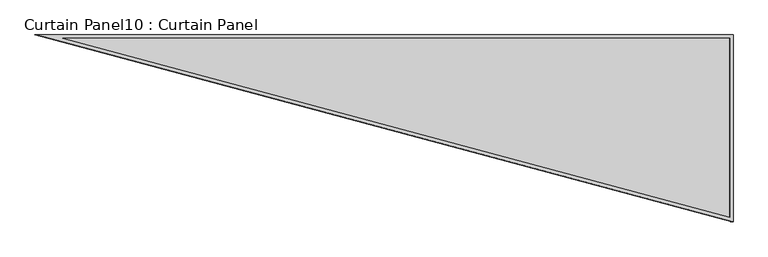
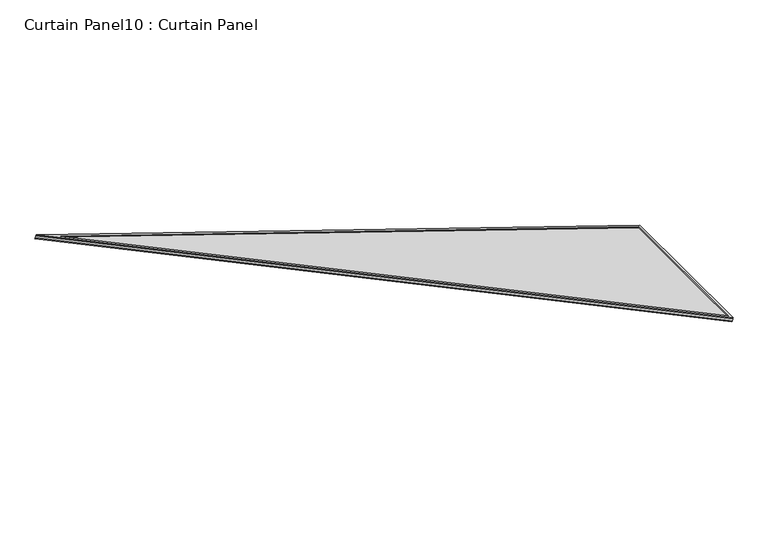
"""IFC4 building model written with IfcOpenShell, lengths in millimetres: plate geometry, Curtain Panel10 : Curtain Panel."""

from ifc_helpers import new_model, si_unit, frame, origin, place, context, project, spatial, polyline, outline, extrude, source, transform, mapped, element, save


def curtain_panel10_curtain_panel_2dfdf7e6(model_context):
    return source(origin(), model_context, "Body", "SweptSolid", [
        extrude(outline(polyline([(895.9373554, 0.0), (0.0, -3524.4506618), (0.0, 0.0), (895.9373554, 0.0)]), holes=[polyline([(874.508816, -16.662798), (16.6627979, -16.662798), (16.6627979, -3391.2692346), (874.508816, -16.662798)])]), frame((18941.8880507, 463.5644202, 898.7322455), z_axis=(0.3161458239738056, 0.0, 0.9487106081329141), x_axis=(0.0, -1.0, 0.0)), (0.0, 0.0, 1.0), 4.7979306),
        extrude(outline(polyline([(895.9373554, 0.0), (0.0, -3524.4506618), (0.0, 0.0), (895.9373554, 0.0)]), holes=[polyline([(882.6749851, -10.3127979), (10.3127979, -10.3127979), (10.3127979, -3442.0231397), (882.6749851, -10.3127979)])]), frame((18936.3046547, 463.5644202, 881.9772337), z_axis=(0.31614582397380575, 0.0, 0.948710608132914), x_axis=(0.0, -1.0, 0.0)), (0.0, 0.0, 1.0), 4.7703307),
        extrude(outline(polyline([(12.7, 0.0), (908.6373554, 0.0), (12.7, -3524.4506618), (12.7, 0.0)])), frame((18937.8127748, 476.2644202, 886.5028971), z_axis=(0.3161458239738058, 0.0, 0.948710608132914), x_axis=(0.0, -1.0, 0.0)), (0.0, 0.0, 1.0), 12.890494),
    ])


if __name__ == "__main__":
    model = new_model("IFC4")
    model_context = context("Model", 3, world=origin())
    ifc_project = project(units=[si_unit("LENGTHUNIT", "METRE", prefix="MILLI")], contexts=[model_context])
    site = spatial("IfcSite", under=ifc_project)
    building = spatial("IfcBuilding", under=site)
    placement = place(None, origin())
    curtain_panel10_curtain_panel_shape = curtain_panel10_curtain_panel_2dfdf7e6(model_context)
    element("IfcPlate", 1, ObjectType="Curtain Panel10 : Curtain Panel", at=placement, inside=building, context=model_context, shape_type="MappedRepresentation", body=[
        mapped(curtain_panel10_curtain_panel_shape, transform((0.0, 0.0, 0.0), x_axis=(1.0, 0.0, 0.0), y_axis=(0.0, 1.0, 0.0), z_axis=(0.0, 0.0, 1.0))),
    ])
    save(model, "model.ifc")
